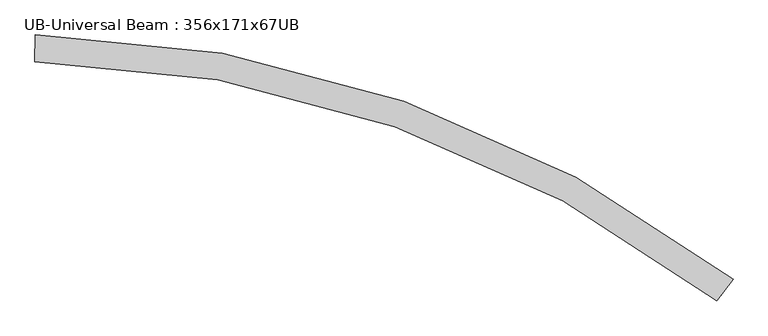
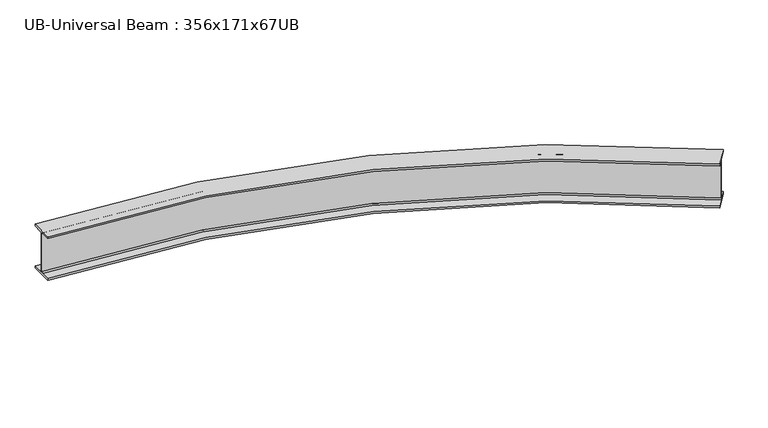
"""IFC4 building model written with IfcOpenShell, lengths in millimetres: beam geometry, UB-Universal Beam : 356x171x67UB."""

from ifc_helpers import new_model, si_unit, point, frame, origin, place, context, project, spatial, polyline, circle_curve, ellipse_curve, trimmed, source, transform, mapped, element, save
from ifc_brep_helpers import plane_surface, cylinder_surface, revolved_surface, advanced_brep


def ub_universal_beam_356x171x67ub_4a279ccb(model_context):
    return source(origin(), model_context, "Body", "AdvancedBrep", [
        advanced_brep(
        [(4644.8176735, -1490.4627274, -166.0), (4601.0702514, -1547.4590919, -166.0), (4594.8597615, -1555.5504338, -155.8), (4594.8597615, -1555.5504338, 155.8), (4601.0702514, -1547.4590919, 166.0), (4644.8176735, -1490.4627274, 166.0), (4644.8176735, -1490.4627274, 181.7), (4539.3611182, -1627.8568865, 181.7), (4539.3611182, -1627.8568865, 166.0), (4583.1085402, -1570.860522, 166.0), (4589.3190302, -1562.76918, 155.8), (4589.3190302, -1562.76918, -155.8), (4583.1085402, -1570.860522, -166.0), (4539.3611182, -1627.8568865, -166.0), (4539.3611182, -1627.8568865, -181.7), (4644.8176735, -1490.4627274, -181.7), (148.5242429, 85.154018, -166.0), (148.5242429, 85.154018, -181.7), (145.1521288, -88.0131522, -181.7), (145.1521288, -88.0131522, -166.0), (146.551011, -16.1767713, -166.0), (146.7495997, -5.9787047, -155.8), (146.7495997, -5.9787047, 155.8), (146.551011, -16.1767713, 166.0), (145.1521288, -88.0131522, 166.0), (145.1521288, -88.0131522, 181.7), (148.5242429, 85.154018, 181.7), (148.5242429, 85.154018, 166.0), (147.1253607, 13.3176371, 166.0), (146.926772, 3.1195705, 155.8), (146.926772, 3.1195705, -155.8), (147.1253607, 13.3176371, -166.0)],
        [
            (0, 1),
            (1, 2, circle_curve(frame((4601.0702514, -1547.4590919, -155.8), z_axis=(-0.7932688169401974, 0.6088715661535687, 0.0), x_axis=(-0.6088715661535687, -0.7932688169401974, 0.0)), 10.2)),
            (2, 3),
            (3, 4, circle_curve(frame((4601.0702514, -1547.4590919, 155.8), z_axis=(-0.7932688169401974, 0.6088715661535687, 0.0), x_axis=(-0.6088715661535687, -0.7932688169401974, 0.0)), 10.2)),
            (4, 5),
            (5, 6),
            (6, 7),
            (7, 8),
            (8, 9),
            (9, 10, circle_curve(frame((4583.1085402, -1570.860522, 155.8), z_axis=(-0.7932688169401974, 0.6088715661535689, 0.0), x_axis=(-0.6088715661535689, -0.7932688169401974, 0.0)), 10.2)),
            (10, 11),
            (11, 12, circle_curve(frame((4583.1085402, -1570.860522, -155.8), z_axis=(-0.7932688169401974, 0.6088715661535689, 0.0), x_axis=(-0.6088715661535689, -0.7932688169401974, 0.0)), 10.2)),
            (12, 13),
            (13, 14),
            (14, 15),
            (15, 0),
            (16, 17),
            (17, 18),
            (18, 19),
            (19, 20),
            (20, 21, circle_curve(frame((146.551011, -16.1767713, -155.8), z_axis=(0.9998104516949727, -0.019469480771057257, 0.0), x_axis=(-0.019469480771057257, -0.9998104516949727, 0.0)), 10.2)),
            (21, 22),
            (22, 23, circle_curve(frame((146.551011, -16.1767713, 155.8), z_axis=(0.9998104516949727, -0.019469480771057257, 0.0), x_axis=(-0.019469480771057257, -0.9998104516949727, 0.0)), 10.2)),
            (23, 24),
            (24, 25),
            (25, 26),
            (26, 27),
            (27, 28),
            (28, 29, circle_curve(frame((147.1253607, 13.3176371, 155.8), z_axis=(0.9998104516949728, -0.01946948077105709, 0.0), x_axis=(-0.01946948077105709, -0.9998104516949728, 0.0)), 10.2)),
            (29, 30),
            (30, 31, circle_curve(frame((147.1253607, 13.3176371, -155.8), z_axis=(0.9998104516949728, -0.01946948077105709, 0.0), x_axis=(-0.01946948077105709, -0.9998104516949728, 0.0)), 10.2)),
            (31, 16),
            (0, 16, circle_curve(frame((0.0, -7541.9672245, -166.0), z_axis=(0.0, 0.0, 1.0), x_axis=(0.6001850201110979, 0.7998612014807576, 0.0)), 7628.5672245)),
            (31, 1, circle_curve(frame((0.0, -7541.9672245, -166.0), z_axis=(0.0, 0.0, -1.0), x_axis=(0.6001850201110979, 0.7998612014807576, 0.0)), 7556.7172245)),
            (30, 2, circle_curve(frame((0.0, -7541.9672245, -155.8), z_axis=(0.0, 0.0, -1.0), x_axis=(0.6001850201110979, 0.7998612014807576, 0.0)), 7546.5172245)),
            (29, 3, circle_curve(frame((0.0, -7541.9672245, 155.8), z_axis=(0.0, 0.0, -1.0), x_axis=(0.6001850201110979, 0.7998612014807576, 0.0)), 7546.5172245)),
            (28, 4, circle_curve(frame((0.0, -7541.9672245, 166.0), z_axis=(0.0, 0.0, -1.0), x_axis=(0.6001850201110979, 0.7998612014807576, 0.0)), 7556.7172245)),
            (27, 5, circle_curve(frame((0.0, -7541.9672245, 166.0), z_axis=(0.0, 0.0, -1.0), x_axis=(0.6001850201110979, 0.7998612014807576, 0.0)), 7628.5672245)),
            (26, 6, circle_curve(frame((0.0, -7541.9672245, 181.7), z_axis=(0.0, 0.0, -1.0), x_axis=(0.6001850201110979, 0.7998612014807576, 0.0)), 7628.5672245)),
            (25, 7, circle_curve(frame((0.0, -7541.9672245, 181.7), z_axis=(0.0, 0.0, -1.0), x_axis=(0.6001850201110979, 0.7998612014807576, 0.0)), 7455.3672245)),
            (24, 8, circle_curve(frame((0.0, -7541.9672245, 166.0), z_axis=(0.0, 0.0, -1.0), x_axis=(0.6001850201110979, 0.7998612014807576, 0.0)), 7455.3672245)),
            (23, 9, circle_curve(frame((0.0, -7541.9672245, 166.0), z_axis=(0.0, 0.0, -1.0), x_axis=(0.6001850201110979, 0.7998612014807576, 0.0)), 7527.2172245)),
            (22, 10, circle_curve(frame((0.0, -7541.9672245, 155.8), z_axis=(0.0, 0.0, -1.0), x_axis=(0.6001850201110979, 0.7998612014807576, 0.0)), 7537.4172245)),
            (21, 11, circle_curve(frame((0.0, -7541.9672245, -155.8), z_axis=(0.0, 0.0, -1.0), x_axis=(0.6001850201110979, 0.7998612014807576, 0.0)), 7537.4172245)),
            (20, 12, circle_curve(frame((0.0, -7541.9672245, -166.0), z_axis=(0.0, 0.0, -1.0), x_axis=(0.6001850201110979, 0.7998612014807576, 0.0)), 7527.2172245)),
            (19, 13, circle_curve(frame((0.0, -7541.9672245, -166.0), z_axis=(0.0, 0.0, -1.0), x_axis=(0.6001850201110979, 0.7998612014807576, 0.0)), 7455.3672245)),
            (18, 14, circle_curve(frame((0.0, -7541.9672245, -181.7), z_axis=(0.0, 0.0, -1.0), x_axis=(0.6001850201110979, 0.7998612014807576, 0.0)), 7455.3672245)),
            (17, 15, circle_curve(frame((0.0, -7541.9672245, -181.7), z_axis=(0.0, 0.0, -1.0), x_axis=(0.6001850201110979, 0.7998612014807576, 0.0)), 7628.5672245)),
        ],
        [
            plane_surface(frame((4592.0893958, -1559.1598069, 0.0), z_axis=(0.7932688169401937, -0.6088715661535735, 0.0), x_axis=(0.0, 0.0, 1.0))),
            plane_surface(frame((146.8381859, -1.4295671, 0.0), z_axis=(-0.9998104516949726, 0.01946948077106342, 0.0), x_axis=(0.0, 0.0, 1.0))),
            plane_surface(frame((0.0, -7541.9672245, -166.0), z_axis=(0.0, 0.0, 1.0), x_axis=(0.6001850201110979, 0.7998612014807576, 0.0))),
            revolved_surface(trimmed(ellipse_curve(frame((4535.4284793, -1497.6423061, -155.8), z_axis=(0.7998612014807576, -0.6001850201110979, 0.0), x_axis=(-0.6001850201110979, -0.7998612014807576, 0.0)), 10.2, 10.2), [point((4529.3065921, -1505.8008903, -155.8))], [point((4535.4284793, -1497.6423061, -166.0))], True, "CARTESIAN"), (0.0, -7541.9672245, 0.0), (0.0, 0.0, -1.0)),
            cylinder_surface(frame((0.0, -7541.9672245, 0.0), z_axis=(0.0, 0.0, -1.0), x_axis=(0.6001850201110979, 0.7998612014807576, 0.0)), 7546.5172245),
            revolved_surface(trimmed(ellipse_curve(frame((4535.4284793, -1497.6423061, 155.8), z_axis=(0.7998612014807576, -0.6001850201110979, 0.0), x_axis=(-0.6001850201110979, -0.7998612014807576, 0.0)), 10.2, 10.2), [point((4535.4284793, -1497.6423061, 166.0))], [point((4529.3065921, -1505.8008903, 155.8))], True, "CARTESIAN"), (0.0, -7541.9672245, 0.0), (0.0, 0.0, -1.0)),
            plane_surface(frame((0.0, -7541.9672245, 166.0), z_axis=(0.0, 0.0, -1.0), x_axis=(0.6001850201110979, 0.7998612014807576, 0.0))),
            cylinder_surface(frame((0.0, -7541.9672245, 0.0), z_axis=(0.0, 0.0, -1.0), x_axis=(0.6001850201110979, 0.7998612014807576, 0.0)), 7628.5672245),
            plane_surface(frame((0.0, -7541.9672245, 181.7), z_axis=(0.0, 0.0, 1.0), x_axis=(0.6001850201110979, 0.7998612014807576, 0.0))),
            revolved_surface(polyline([(4474.599727572152, -1578.7082388311692, 166.0), (4474.599727572152, -1578.7082388311692, 181.7)]), (0.0, -7541.9672245, 0.0), (0.0, 0.0, -1.0)),
            revolved_surface(trimmed(ellipse_curve(frame((4517.7230212, -1521.2382115, 155.8), z_axis=(0.7998612014807575, -0.600185020111098, 0.0), x_axis=(-0.600185020111098, -0.7998612014807575, 0.0)), 10.2, 10.2), [point((4523.8449084, -1513.0796272, 155.8))], [point((4517.7230212, -1521.2382115, 166.0))], True, "CARTESIAN"), (0.0, -7541.9672245, 0.0), (0.0, 0.0, -1.0)),
            revolved_surface(polyline([(4523.844908472268, -1513.0796272496727, -155.8), (4523.844908472268, -1513.0796272496727, 155.8)]), (0.0, -7541.9672245, 0.0), (0.0, 0.0, -1.0)),
            revolved_surface(trimmed(ellipse_curve(frame((4517.7230212, -1521.2382115, -155.8), z_axis=(0.7998612014807575, -0.600185020111098, 0.0), x_axis=(-0.600185020111098, -0.7998612014807575, 0.0)), 10.2, 10.2), [point((4517.7230212, -1521.2382115, -166.0))], [point((4523.8449084, -1513.0796272, -155.8))], True, "CARTESIAN"), (0.0, -7541.9672245, 0.0), (0.0, 0.0, -1.0)),
            revolved_surface(polyline([(4474.599727572152, -1578.7082388311692, -181.7), (4474.599727572152, -1578.7082388311692, -166.0)]), (0.0, -7541.9672245, 0.0), (0.0, 0.0, -1.0)),
            plane_surface(frame((0.0, -7541.9672245, -181.7), z_axis=(0.0, 0.0, -1.0), x_axis=(0.6001850201110979, 0.7998612014807576, 0.0))),
        ],
        [
            (0, [[1, 2, 3, 4, 5, 6, 7, 8, 9, 10, 11, 12, 13, 14, 15, 16]]),
            (1, [[17, 18, 19, 20, 21, 22, 23, 24, 25, 26, 27, 28, 29, 30, 31, 32]]),
            (2, [[-1, 33, -32, 34]]),
            (3, [[-2, -34, -31, 35]]),
            (4, [[-3, -35, -30, 36]]),
            (5, [[-4, -36, -29, 37]]),
            (6, [[-5, -37, -28, 38]]),
            (7, [[-6, -38, -27, 39]]),
            (8, [[-7, -39, -26, 40]]),
            (9, [[-8, -40, -25, 41]]),
            (6, [[-9, -41, -24, 42]]),
            (10, [[-10, -42, -23, 43]]),
            (11, [[-11, -43, -22, 44]]),
            (12, [[-12, -44, -21, 45]]),
            (2, [[-13, -45, -20, 46]]),
            (13, [[-14, -46, -19, 47]]),
            (14, [[-15, -47, -18, 48]]),
            (7, [[-16, -48, -17, -33]]),
        ],
    ),
    ])


if __name__ == "__main__":
    model = new_model("IFC4")
    model_context = context("Model", 3, world=origin())
    ifc_project = project(units=[si_unit("LENGTHUNIT", "METRE", prefix="MILLI")], contexts=[model_context])
    site = spatial("IfcSite", under=ifc_project)
    building = spatial("IfcBuilding", under=site)
    placement = place(None, origin())
    ub_universal_beam_356x171x67ub_shape = ub_universal_beam_356x171x67ub_4a279ccb(model_context)
    element("IfcBeam", 1, ObjectType="UB-Universal Beam : 356x171x67UB", at=placement, inside=building, context=model_context, shape_type="MappedRepresentation", body=[
        mapped(ub_universal_beam_356x171x67ub_shape, transform((0.0, 0.0, 0.0), x_axis=(1.0, 0.0, 0.0), y_axis=(0.0, 1.0, 0.0), z_axis=(0.0, 0.0, 1.0))),
    ])
    save(model, "model.ifc")
